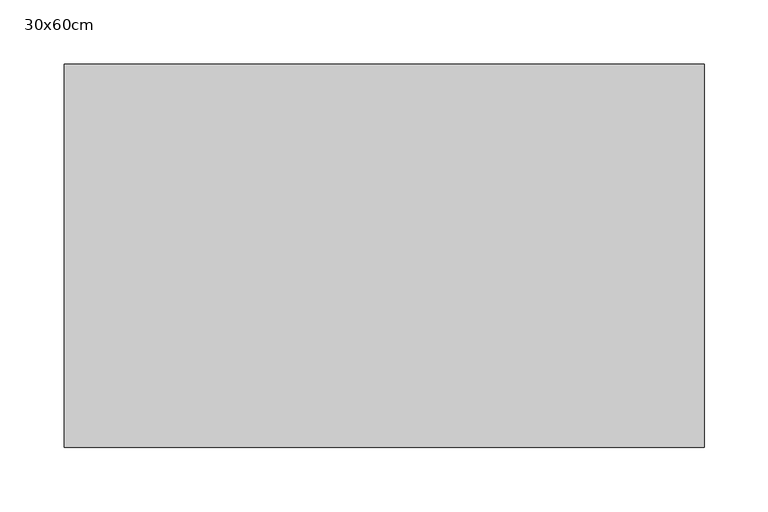
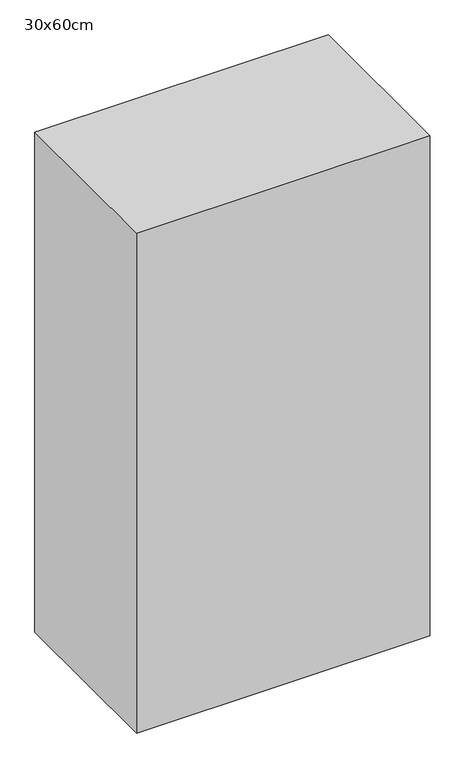
"""IFC4 building model written with IfcOpenShell, lengths in millimetres: proxy geometry, 30x60cm."""

from ifc_helpers import new_model, si_unit, frame, origin, place, context, project, spatial, polyline, outline, extrude, source, transform, mapped, element, save


def proxy_30x60cm_8f21ff06(model_context):
    return source(origin(), model_context, "Body", "SweptSolid", [
        extrude(outline(polyline([(500.0, 300.0), (500.0, 0.0), (0.0, 0.0), (0.0, 300.0), (500.0, 300.0)])), frame((0.0, 0.0, 1300.0), z_axis=(0.0, 0.0, 1.0), x_axis=(1.0, 0.0, 0.0)), (0.0, 0.0, 1.0), 900.0),
    ])


if __name__ == "__main__":
    model = new_model("IFC4")
    model_context = context("Model", 3, world=origin())
    ifc_project = project(units=[si_unit("LENGTHUNIT", "METRE", prefix="MILLI")], contexts=[model_context])
    site = spatial("IfcSite", under=ifc_project)
    building = spatial("IfcBuilding", under=site)
    placement = place(None, origin())
    proxy_30x60cm_shape = proxy_30x60cm_8f21ff06(model_context)
    element("IfcBuildingElementProxy", 1, Name="30x60cm", ObjectType="30x60cm", at=placement, inside=building, context=model_context, shape_type="MappedRepresentation", body=[
        mapped(proxy_30x60cm_shape, transform((0.0, 0.0, 0.0), x_axis=(1.0, 0.0, 0.0), y_axis=(0.0, 1.0, 0.0), z_axis=(0.0, 0.0, 1.0))),
    ])
    save(model, "model.ifc")
